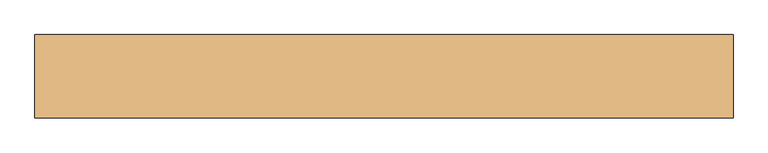
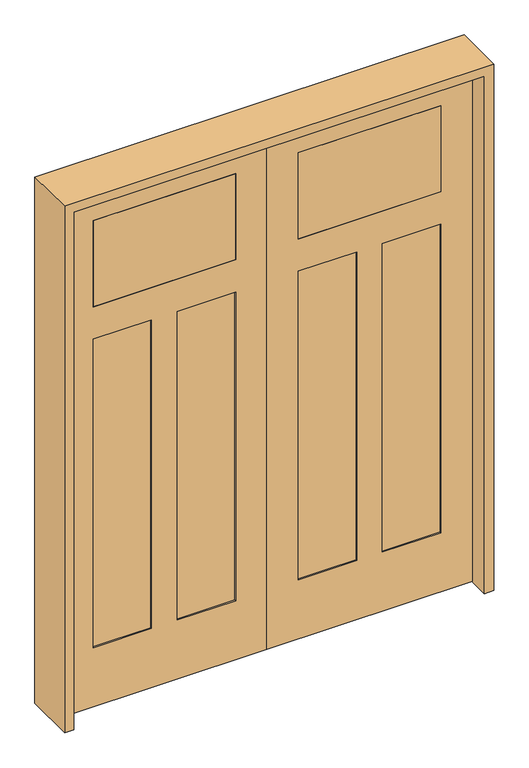
"""IFC4 building model written with IfcOpenShell, lengths in millimetres: door geometry."""

from ifc_helpers import new_model, si_unit, frame, origin, place, context, project, spatial, polyline, outline, extrude, faceted_brep, source, transform, mapped, element, save


def door_c5cde168(model_context):
    return source(origin(), model_context, "Body", "SolidModel", [
        faceted_brep([(0.0, 20.6375, 0.0), (914.4, 20.6375, 0.0), (914.4, -20.6375, 0.0), (0.0, -20.6375, 0.0), (0.0, 20.6375, 2438.4), (0.0, -20.6375, 2438.4), (914.4, -20.6375, 2438.4), (774.7, -20.6375, 2292.35), (774.7, -20.6375, 1885.95), (139.7, -20.6375, 1885.95), (139.7, -20.6375, 2292.35), (774.7, -20.6375, 1733.55), (774.7, -20.6375, 279.4), (514.35, -20.6375, 279.4), (514.35, -20.6375, 1733.55), (400.05, -20.6375, 1733.55), (400.05, -20.6375, 279.4), (139.7, -20.6375, 279.4), (139.7, -20.6375, 1733.55), (914.4, 20.6375, 2438.4), (514.35, 20.6375, 1733.55), (514.35, 20.6375, 279.4), (774.7, 20.6375, 279.4), (774.7, 20.6375, 1733.55), (139.7, 20.6375, 1733.55), (139.7, 20.6375, 279.4), (400.05, 20.6375, 279.4), (400.05, 20.6375, 1733.55), (139.7, 20.6375, 2292.35), (139.7, 20.6375, 1885.95), (774.7, 20.6375, 1885.95), (774.7, 20.6375, 2292.35), (774.7, 14.2875, 1733.55), (774.7, 14.2875, 279.4), (514.35, 14.2875, 279.4), (514.35, 14.2875, 1733.55), (400.05, 14.2875, 1733.55), (400.05, 14.2875, 279.4), (139.7, 14.2875, 279.4), (139.7, 14.2875, 1733.55), (514.35, -14.2875, 1733.55), (514.35, -14.2875, 279.4), (774.7, -14.2875, 279.4), (774.7, -14.2875, 1733.55), (139.7, -14.2875, 1733.55), (139.7, -14.2875, 279.4), (400.05, -14.2875, 279.4), (400.05, -14.2875, 1733.55)], [[[0, 1, 2, 3]], [[4, 0, 3, 5]], [[5, 3, 2, 6], [7, 8, 9, 10], [11, 12, 13, 14], [15, 16, 17, 18]], [[6, 2, 1, 19]], [[19, 1, 0, 4], [20, 21, 22, 23], [24, 25, 26, 27], [28, 29, 30, 31]], [[4, 5, 6, 19]], [[32, 23, 22, 33]], [[33, 22, 21, 34]], [[34, 21, 20, 35]], [[36, 27, 26, 37]], [[37, 26, 25, 38]], [[38, 25, 24, 39]], [[40, 14, 13, 41]], [[41, 13, 12, 42]], [[42, 12, 11, 43]], [[44, 18, 17, 45]], [[45, 17, 16, 46]], [[46, 16, 15, 47]], [[40, 41, 42, 43]], [[44, 45, 46, 47]], [[35, 32, 33, 34]], [[39, 36, 37, 38]], [[7, 10, 28, 31]], [[31, 30, 8, 7]], [[30, 29, 9, 8]], [[10, 9, 29, 28]], [[43, 11, 14, 40]], [[47, 15, 18, 44]], [[35, 20, 23, 32]], [[39, 24, 27, 36]]]),
        extrude(outline(polyline([(139.7, -20.6375), (139.7, 20.6375), (774.7, 20.6375), (774.7, -20.6375), (139.7, -20.6375)])), frame((0.0, 0.0, 1885.95), z_axis=(0.0, 0.0, 1.0), x_axis=(1.0, 0.0, 0.0)), (0.0, 0.0, 1.0), 406.4),
        faceted_brep([(0.0, 20.6375, 0.0), (0.0, -20.6375, 0.0), (-914.4, -20.6375, 0.0), (-914.4, 20.6375, 0.0), (0.0, 20.6375, 2438.4), (0.0, -20.6375, 2438.4), (-914.4, -20.6375, 2438.4), (-774.7, -20.6375, 2292.35), (-139.7, -20.6375, 2292.35), (-139.7, -20.6375, 1885.95), (-774.7, -20.6375, 1885.95), (-774.7, -20.6375, 1733.55), (-514.35, -20.6375, 1733.55), (-514.35, -20.6375, 279.4), (-774.7, -20.6375, 279.4), (-400.05, -20.6375, 1733.55), (-139.7, -20.6375, 1733.55), (-139.7, -20.6375, 279.4), (-400.05, -20.6375, 279.4), (-914.4, 20.6375, 2438.4), (-514.35, 20.6375, 1733.55), (-774.7, 20.6375, 1733.55), (-774.7, 20.6375, 279.4), (-514.35, 20.6375, 279.4), (-139.7, 20.6375, 1733.55), (-400.05, 20.6375, 1733.55), (-400.05, 20.6375, 279.4), (-139.7, 20.6375, 279.4), (-139.7, 20.6375, 2292.35), (-774.7, 20.6375, 2292.35), (-774.7, 20.6375, 1885.95), (-139.7, 20.6375, 1885.95), (-774.7, 14.2875, 1733.55), (-774.7, 14.2875, 279.4), (-514.35, 14.2875, 279.4), (-514.35, 14.2875, 1733.55), (-400.05, 14.2875, 1733.55), (-400.05, 14.2875, 279.4), (-139.7, 14.2875, 279.4), (-139.7, 14.2875, 1733.55), (-514.35, -14.2875, 1733.55), (-514.35, -14.2875, 279.4), (-774.7, -14.2875, 279.4), (-774.7, -14.2875, 1733.55), (-139.7, -14.2875, 1733.55), (-139.7, -14.2875, 279.4), (-400.05, -14.2875, 279.4), (-400.05, -14.2875, 1733.55)], [[[0, 1, 2, 3]], [[4, 5, 1, 0]], [[5, 6, 2, 1], [7, 8, 9, 10], [11, 12, 13, 14], [15, 16, 17, 18]], [[6, 19, 3, 2]], [[19, 4, 0, 3], [20, 21, 22, 23], [24, 25, 26, 27], [28, 29, 30, 31]], [[4, 19, 6, 5]], [[32, 33, 22, 21]], [[33, 34, 23, 22]], [[34, 35, 20, 23]], [[36, 37, 26, 25]], [[37, 38, 27, 26]], [[38, 39, 24, 27]], [[40, 41, 13, 12]], [[41, 42, 14, 13]], [[42, 43, 11, 14]], [[44, 45, 17, 16]], [[45, 46, 18, 17]], [[46, 47, 15, 18]], [[40, 43, 42, 41]], [[44, 47, 46, 45]], [[35, 34, 33, 32]], [[39, 38, 37, 36]], [[7, 29, 28, 8]], [[29, 7, 10, 30]], [[30, 10, 9, 31]], [[8, 28, 31, 9]], [[43, 40, 12, 11]], [[47, 44, 16, 15]], [[35, 32, 21, 20]], [[39, 36, 25, 24]]]),
        extrude(outline(polyline([(-139.7, -20.6375), (-774.7, -20.6375), (-774.7, 20.6375), (-139.7, 20.6375), (-139.7, -20.6375)])), frame((0.0, 0.0, 1885.95), z_axis=(0.0, 0.0, 1.0), x_axis=(1.0, 0.0, 0.0)), (0.0, 0.0, 1.0), 406.4),
        extrude(outline(polyline([(2479.675, -955.675), (0.0, -955.675), (0.0, -914.4), (2438.4, -914.4), (2438.4, 914.4), (0.0, 914.4), (0.0, 955.675), (2479.675, 955.675), (2479.675, -955.675)])), frame((0.0, -114.3, 0.0), z_axis=(0.0, 1.0, 0.0), x_axis=(0.0, 0.0, 1.0)), (0.0, 0.0, 1.0), 228.6),
    ])


if __name__ == "__main__":
    model = new_model("IFC4")
    model_context = context("Model", 3, world=origin())
    ifc_project = project(units=[si_unit("LENGTHUNIT", "METRE", prefix="MILLI")], contexts=[model_context])
    site = spatial("IfcSite", under=ifc_project)
    building = spatial("IfcBuilding", under=site)
    placement = place(None, origin())
    door_shape = door_c5cde168(model_context)
    element("IfcDoor", 1, at=placement, inside=building, context=model_context, shape_type="MappedRepresentation", body=[
        mapped(door_shape, transform((0.0, 0.0, 0.0), x_axis=(1.0, 0.0, 0.0), y_axis=(0.0, 1.0, 0.0), z_axis=(0.0, 0.0, 1.0))),
    ])
    save(model, "model.ifc")
